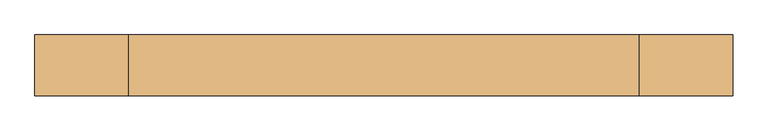
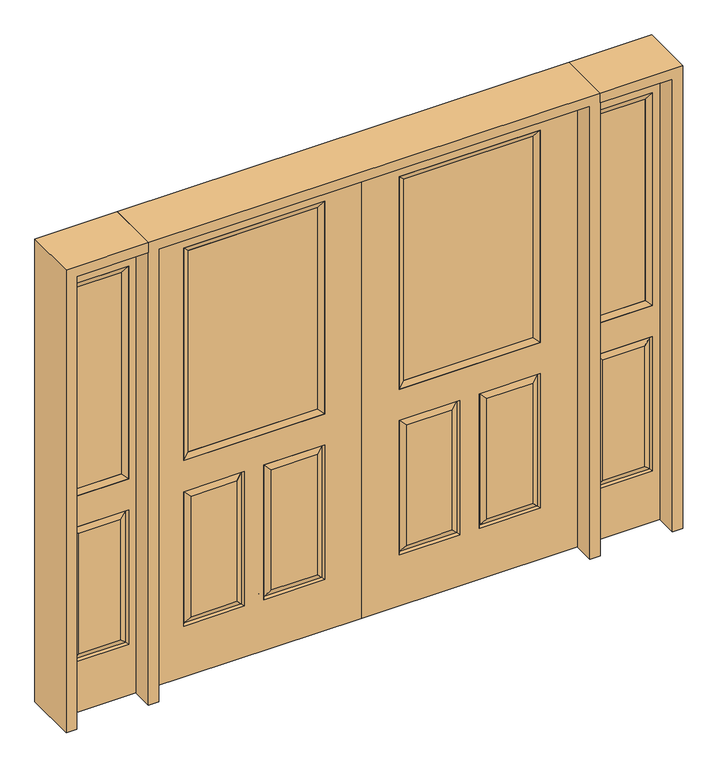
"""IFC4 building model written with IfcOpenShell, lengths in millimetres: door geometry."""

import ifcopenshell
import ifcopenshell.guid

model = None  # the IFC model being written
_history = None  # IfcOwnerHistory: only IFC2X3 demands one
_inside = {}  # id of a spatial element -> (the spatial element, [elements in it])
_under = {}  # id of a project, library or spatial element -> (it, [spatial elements below it])
_declared = {}  # id of a project -> (the project, [libraries it declares])
_typed = {}  # id of a type object -> (the type object, [elements of that type])
_made_of = {}  # id of a material, layer set ... -> (it, [elements and type objects made of it])


def new_model(schema):
    """Start an empty IFC model of exactly this schema.

    Asked for "IFC4X3", IfcOpenShell would pick the latest addendum, in which some entities
    have other attributes; the version numbers below select the first issue.
    IFC2X3 requires an IfcOwnerHistory on every rooted entity: one is made here for all.
    """
    global model, _history
    if schema == "IFC4X3":
        model = ifcopenshell.file(schema_version=(4, 3, 0, 0))
    else:
        model = ifcopenshell.file(schema=schema)
    _inside.clear()
    _under.clear()
    _declared.clear()
    _typed.clear()
    _made_of.clear()
    _history = None
    if model.schema == "IFC2X3":
        org = make("IfcOrganization", Name="unknown")
        user = make(
            "IfcPersonAndOrganization",
            ThePerson=make("IfcPerson", FamilyName="unknown"),
            TheOrganization=org,
        )
        app = make(
            "IfcApplication",
            ApplicationDeveloper=org,
            Version="unknown",
            ApplicationFullName="unknown",
            ApplicationIdentifier="unknown",
        )
        _history = make(
            "IfcOwnerHistory",
            OwningUser=user,
            OwningApplication=app,
            ChangeAction="ADDED",
            CreationDate=0,
        )
    return model


def make(cls, **values):
    """One entity of the class cls with the attributes given. An attribute that is None is left unset."""
    return model.create_entity(
        cls, **{name: value for name, value in values.items() if value is not None}
    )


def rooted(cls, **values):
    """An entity with a GlobalId (a new one), such as an element, a storey or a relation."""
    return make(cls, GlobalId=ifcopenshell.guid.new(), OwnerHistory=_history, **values)


def si_unit(unit_type, name, prefix=None):
    """IfcSIUnit, for example si_unit("LENGTHUNIT", "METRE", prefix="MILLI")."""
    return make("IfcSIUnit", UnitType=unit_type, Prefix=prefix, Name=name)


def assignment(units):
    """IfcUnitAssignment: the units of a project."""
    return None if units is None else make("IfcUnitAssignment", Units=units)


def point(xyz):
    """IfcCartesianPoint."""
    return None if xyz is None else make("IfcCartesianPoint", Coordinates=xyz)


def direction(xyz):
    """IfcDirection."""
    return None if xyz is None else make("IfcDirection", DirectionRatios=xyz)


def frame(location, z_axis=None, x_axis=None):
    """IfcAxis2Placement3D, a coordinate frame: its origin and axes. An axis left out is left unset."""
    return make(
        "IfcAxis2Placement3D",
        Location=point(location),
        Axis=direction(z_axis),
        RefDirection=direction(x_axis),
    )


def origin():
    """The frame at (0, 0, 0) with its axes left unset."""
    return frame((0.0, 0.0, 0.0))


def place(relative_to, where):
    """IfcLocalPlacement: puts the frame where relative to a parent placement (None: the world)."""
    return make(
        "IfcLocalPlacement", PlacementRelTo=relative_to, RelativePlacement=where
    )


def context(
    kind, dimensions, precision=None, world=None, true_north=None, identifier=None
):
    """IfcGeometricRepresentationContext, for example the 3D "Model" context."""
    return make(
        "IfcGeometricRepresentationContext",
        ContextIdentifier=identifier,
        ContextType=kind,
        CoordinateSpaceDimension=dimensions,
        Precision=precision,
        WorldCoordinateSystem=world,
        TrueNorth=true_north,
    )


def project(units=None, contexts=None):
    """IfcProject with its units and contexts."""
    return rooted(
        "IfcProject",
        Name="project",
        RepresentationContexts=contexts,
        UnitsInContext=assignment(units),
    )


def spatial(cls, under=None, at=None, **own):
    """A site, building, storey or space (cls), placed at a placement, below another one or the project."""
    s = rooted(cls, ObjectPlacement=at, **own)
    if under is not None:
        _under.setdefault(under.id(), (under, []))[1].append(s)
    return s


def polyline(points):
    """IfcPolyline through the points."""
    return make("IfcPolyline", Points=[point(p) for p in points])


def outline(outer, holes=None, kind="AREA"):
    """IfcArbitraryClosedProfileDef: a profile drawn as a closed curve; with holes, ...WithVoids."""
    if holes is None:
        return make("IfcArbitraryClosedProfileDef", ProfileType=kind, OuterCurve=outer)
    return make(
        "IfcArbitraryProfileDefWithVoids",
        ProfileType=kind,
        OuterCurve=outer,
        InnerCurves=holes,
    )


def extrude(swept, where, along, depth):
    """IfcExtrudedAreaSolid: the profile swept, set in the frame where, extruded along a direction by depth."""
    return make(
        "IfcExtrudedAreaSolid",
        SweptArea=swept,
        Position=where,
        ExtrudedDirection=direction(along),
        Depth=depth,
    )


def faces_of(points, faces, orient=None, outer=None):
    """IfcFace entities. A face is a list of loops; a loop is a list of indices into points, from 0.

    orient and outer hold one flag for each loop. By default every Orientation is true, the
    first loop of a face is its IfcFaceOuterBound and the others are IfcFaceBound.
    """
    made = []
    for i, loops in enumerate(faces):
        bounds = []
        for j, loop in enumerate(loops):
            is_outer = j == 0 if outer is None else outer[i][j]
            bounds.append(
                make(
                    "IfcFaceOuterBound" if is_outer else "IfcFaceBound",
                    Bound=make("IfcPolyLoop", Polygon=[points[k] for k in loop]),
                    Orientation=True if orient is None else orient[i][j],
                )
            )
        made.append(make("IfcFace", Bounds=bounds))
    return made


def faceted_brep(points, faces, orient=None, outer=None, voids=None):
    """IfcFacetedBrep: a solid bounded by flat faces; with voids (closed shells), ...WithVoids."""
    shared = [point(p) for p in points]
    hull = make("IfcClosedShell", CfsFaces=faces_of(shared, faces, orient, outer))
    if voids is None:
        return make("IfcFacetedBrep", Outer=hull)
    return make(
        "IfcFacetedBrepWithVoids",
        Outer=hull,
        Voids=[
            make(cls, CfsFaces=faces_of(shared, fs, o, b)) for cls, fs, o, b in voids
        ],
    )


def shape(context_of_items, identifier, shape_type, items):
    """IfcShapeRepresentation: the items that make up one representation, for example the "Body"."""
    return make(
        "IfcShapeRepresentation",
        ContextOfItems=context_of_items,
        RepresentationIdentifier=identifier,
        RepresentationType=shape_type,
        Items=items,
    )


def source(mapping_origin, context_of_items, identifier, shape_type, items):
    """IfcRepresentationMap: a shape defined once, which mapped items show again and again."""
    return make(
        "IfcRepresentationMap",
        MappingOrigin=mapping_origin,
        MappedRepresentation=shape(context_of_items, identifier, shape_type, items),
    )


def transform(
    local_origin,
    x_axis=None,
    y_axis=None,
    z_axis=None,
    scale=None,
    scale2=None,
    scale3=None,
    uniform=True,
):
    """IfcCartesianTransformationOperator3D, or its non-uniform kind. x_axis, y_axis, z_axis: its Axis1, 2, 3."""
    if uniform:
        return make(
            "IfcCartesianTransformationOperator3D",
            Axis1=direction(x_axis),
            Axis2=direction(y_axis),
            LocalOrigin=point(local_origin),
            Scale=scale,
            Axis3=direction(z_axis),
        )
    return make(
        "IfcCartesianTransformationOperator3DnonUniform",
        Axis1=direction(x_axis),
        Axis2=direction(y_axis),
        LocalOrigin=point(local_origin),
        Scale=scale,
        Axis3=direction(z_axis),
        Scale2=scale2,
        Scale3=scale3,
    )


def mapped(mapping_source, mapping_target):
    """IfcMappedItem: shows the shape of a source again, moved by a transform."""
    return make(
        "IfcMappedItem", MappingSource=mapping_source, MappingTarget=mapping_target
    )


def made_of(thing, what):
    """Note that an element or type object is made of a material, layer set ...; save() writes the relation."""
    if what is not None:
        _made_of.setdefault(what.id(), (what, []))[1].append(thing)
    return thing


def element(
    cls,
    number,
    at=None,
    inside=None,
    cuts=None,
    type_object=None,
    material=None,
    context=None,
    identifier="Body",
    shape_type=None,
    held_by="IfcProductDefinitionShape",
    body=None,
    shapes=None,
    **own,
):
    """One element of the class cls, such as IfcWall. Its Tag is "e" and its number.

    at: its placement. inside: the storey or other place that contains it. cuts: it is an
    opening in that element (IfcRelVoidsElement). A single representation is given by context,
    identifier, shape_type and body (its items); several are given by shapes. held_by: the class
    of the entity that holds the representations. save() writes the other relations.
    """
    e = rooted(cls, Tag="e%d" % number, ObjectPlacement=at, **own)
    if body is not None:
        shapes = [shape(context, identifier, shape_type, body)]
    if shapes is not None:
        e.Representation = make(held_by, Representations=shapes)
    if inside is not None:
        _inside.setdefault(inside.id(), (inside, []))[1].append(e)
    if cuts is not None:
        rooted(
            "IfcRelVoidsElement", RelatingBuildingElement=cuts, RelatedOpeningElement=e
        )
    if type_object is not None:
        _typed.setdefault(type_object.id(), (type_object, []))[1].append(e)
    return made_of(e, material)


def aggregate(whole, parts):
    """IfcRelAggregates: a whole, such as a stair, and the parts it consists of."""
    return rooted("IfcRelAggregates", RelatingObject=whole, RelatedObjects=parts)


def save(model, path):
    """Write the relations noted so far, then the file.

    IfcRelAggregates (storeys below a building ...), IfcRelContainedInSpatialStructure (elements
    in a storey), IfcRelDefinesByType, IfcRelAssociatesMaterial and IfcRelDeclares: one each for
    every whole, place, type object, material and project.
    """
    for whole, parts in _under.values():
        aggregate(whole, parts)
    for where, things in _inside.values():
        rooted(
            "IfcRelContainedInSpatialStructure",
            RelatedElements=things,
            RelatingStructure=where,
        )
    for kind, things in _typed.values():
        rooted("IfcRelDefinesByType", RelatedObjects=things, RelatingType=kind)
    for what, things in _made_of.values():
        rooted("IfcRelAssociatesMaterial", RelatedObjects=things, RelatingMaterial=what)
    for by, libraries in _declared.values():
        rooted("IfcRelDeclares", RelatingContext=by, RelatedDefinitions=libraries)
    model.write(path)


def door_6a7b1a4c(model_context):
    return source(origin(), model_context, "Body", "SolidModel", [
        faceted_brep([(914.4, -22.225, 0.0), (914.4, -22.225, 2032.0), (0.0, -22.225, 2032.0), (0.0, -22.225, 0.0), (756.539, -22.225, 971.55), (157.861, -22.225, 971.55), (157.861, -22.225, 1925.574), (756.539, -22.225, 1925.574), (756.539, -22.225, 831.85), (756.539, -22.225, 228.6), (498.475, -22.225, 228.6), (498.475, -22.225, 831.85), (415.925, -22.225, 831.85), (415.925, -22.225, 228.6), (157.861, -22.225, 228.6), (157.861, -22.225, 831.85), (530.225, -22.225, 800.1), (530.225, -22.225, 260.35), (724.789, -22.225, 260.35), (724.789, -22.225, 800.1), (189.611, -22.225, 800.1), (189.611, -22.225, 260.35), (384.175, -22.225, 260.35), (384.175, -22.225, 800.1), (0.0, 22.225, 0.0), (914.4, 22.225, 0.0), (0.0, 22.225, 2032.0), (914.4, 22.225, 2032.0), (756.539, 22.225, 1925.574), (756.539, 22.225, 971.55), (157.861, 22.225, 971.55), (157.861, 22.225, 1925.574), (498.475, 22.225, 831.85), (498.475, 22.225, 228.6), (756.539, 22.225, 228.6), (756.539, 22.225, 831.85), (157.861, 22.225, 831.85), (157.861, 22.225, 228.6), (415.925, 22.225, 228.6), (415.925, 22.225, 831.85), (724.789, 22.225, 800.1), (724.789, 22.225, 260.35), (530.225, 22.225, 260.35), (530.225, 22.225, 800.1), (384.175, 22.225, 800.1), (384.175, 22.225, 260.35), (189.611, 22.225, 260.35), (189.611, 22.225, 800.1), (749.39525, -12.7449236, 824.70625), (505.61875, -12.7449236, 824.70625), (749.39525, -12.7449236, 235.74375), (505.61875, -12.7449236, 235.74375), (165.00475, -12.7449236, 824.70625), (408.78125, -12.7449236, 824.70625), (408.78125, -12.7449236, 235.74375), (165.00475, -12.7449236, 235.74375), (749.39525, 12.7449236, 824.70625), (505.61875, 12.7449236, 824.70625), (505.61875, 12.7449236, 235.74375), (749.39525, 12.7449236, 235.74375), (165.00475, 12.7449236, 824.70625), (408.78125, 12.7449236, 824.70625), (165.00475, 12.7449236, 235.74375), (408.78125, 12.7449236, 235.74375)], [[[0, 1, 2, 3], [4, 5, 6, 7], [8, 9, 10, 11], [12, 13, 14, 15]], [[16, 17, 18, 19]], [[20, 21, 22, 23]], [[3, 24, 25, 0]], [[2, 26, 24, 3]], [[0, 25, 27, 1]], [[7, 28, 29, 4]], [[5, 30, 31, 6]], [[4, 29, 30, 5]], [[25, 24, 26, 27], [29, 28, 31, 30], [32, 33, 34, 35], [36, 37, 38, 39]], [[40, 41, 42, 43]], [[44, 45, 46, 47]], [[1, 27, 26, 2]], [[6, 31, 28, 7]], [[16, 19, 48, 49]], [[19, 18, 50, 48]], [[51, 50, 18, 17]], [[49, 51, 17, 16]], [[48, 8, 11, 49]], [[11, 10, 51, 49]], [[10, 9, 50, 51]], [[48, 50, 9, 8]], [[52, 20, 23, 53]], [[23, 22, 54, 53]], [[22, 21, 55, 54]], [[52, 55, 21, 20]], [[53, 12, 15, 52]], [[15, 14, 55, 52]], [[54, 55, 14, 13]], [[53, 54, 13, 12]], [[56, 40, 43, 57]], [[43, 42, 58, 57]], [[42, 41, 59, 58]], [[56, 59, 41, 40]], [[57, 32, 35, 56]], [[35, 34, 59, 56]], [[58, 59, 34, 33]], [[57, 58, 33, 32]], [[44, 47, 60, 61]], [[47, 46, 62, 60]], [[63, 62, 46, 45]], [[61, 63, 45, 44]], [[60, 36, 39, 61]], [[39, 38, 63, 61]], [[38, 37, 62, 63]], [[60, 62, 37, 36]]]),
        extrude(outline(polyline([(183.261, -12.7), (183.261, 12.7), (731.139, 12.7), (731.139, -12.7), (183.261, -12.7)])), frame((0.0, 0.0, 996.95), z_axis=(0.0, 0.0, 1.0), x_axis=(1.0, 0.0, 0.0)), (0.0, 0.0, 1.0), 903.224),
        faceted_brep([(756.539, -22.225, 1925.574), (756.539, -22.225, 971.55), (756.539, 22.225, 971.55), (756.539, 22.225, 1925.574), (157.861, -22.225, 971.55), (157.861, 22.225, 971.55), (183.261, 12.7, 996.95), (731.139, 12.7, 996.95), (157.861, -22.225, 1925.574), (157.861, 22.225, 1925.574), (731.139, -12.7, 996.95), (183.261, -12.7, 996.95), (731.139, -12.7, 1900.174), (183.261, -12.7, 1900.174), (731.139, 12.7, 1900.174), (183.261, 12.7, 1900.174)], [[[0, 1, 2, 3]], [[1, 4, 5, 2]], [[2, 5, 6, 7]], [[4, 8, 9, 5]], [[10, 11, 4, 1]], [[12, 10, 1, 0]], [[11, 13, 8, 4]], [[7, 6, 11, 10]], [[14, 7, 10, 12]], [[6, 15, 13, 11]], [[3, 2, 7, 14]], [[5, 9, 15, 6]], [[8, 0, 3, 9]], [[13, 12, 0, 8]], [[15, 14, 12, 13]], [[9, 3, 14, 15]]]),
        faceted_brep([(-914.4, -22.225, 0.0), (0.0, -22.225, 0.0), (0.0, -22.225, 2032.0), (-914.4, -22.225, 2032.0), (-756.539, -22.225, 971.55), (-756.539, -22.225, 1925.574), (-157.861, -22.225, 1925.574), (-157.861, -22.225, 971.55), (-756.539, -22.225, 831.85), (-498.475, -22.225, 831.85), (-498.475, -22.225, 228.6), (-756.539, -22.225, 228.6), (-415.925, -22.225, 831.85), (-157.861, -22.225, 831.85), (-157.861, -22.225, 228.6), (-415.925, -22.225, 228.6), (-530.225, -22.225, 800.1), (-724.789, -22.225, 800.1), (-724.789, -22.225, 260.35), (-530.225, -22.225, 260.35), (-189.611, -22.225, 800.1), (-384.175, -22.225, 800.1), (-384.175, -22.225, 260.35), (-189.611, -22.225, 260.35), (-914.4, 22.225, 0.0), (0.0, 22.225, 0.0), (0.0, 22.225, 2032.0), (-914.4, 22.225, 2032.0), (-756.539, 22.225, 971.55), (-756.539, 22.225, 1925.574), (-157.861, 22.225, 1925.574), (-157.861, 22.225, 971.55), (-498.475, 22.225, 831.85), (-756.539, 22.225, 831.85), (-756.539, 22.225, 228.6), (-498.475, 22.225, 228.6), (-157.861, 22.225, 831.85), (-415.925, 22.225, 831.85), (-415.925, 22.225, 228.6), (-157.861, 22.225, 228.6), (-724.789, 22.225, 800.1), (-530.225, 22.225, 800.1), (-530.225, 22.225, 260.35), (-724.789, 22.225, 260.35), (-384.175, 22.225, 800.1), (-189.611, 22.225, 800.1), (-189.611, 22.225, 260.35), (-384.175, 22.225, 260.35), (-505.61875, -12.7449236, 824.70625), (-749.39525, -12.7449236, 824.70625), (-749.39525, -12.7449236, 235.74375), (-505.61875, -12.7449236, 235.74375), (-165.00475, -12.7449236, 824.70625), (-408.78125, -12.7449236, 824.70625), (-408.78125, -12.7449236, 235.74375), (-165.00475, -12.7449236, 235.74375), (-749.39525, 12.7449236, 824.70625), (-505.61875, 12.7449236, 824.70625), (-505.61875, 12.7449236, 235.74375), (-749.39525, 12.7449236, 235.74375), (-408.78125, 12.7449236, 824.70625), (-165.00475, 12.7449236, 824.70625), (-165.00475, 12.7449236, 235.74375), (-408.78125, 12.7449236, 235.74375)], [[[0, 1, 2, 3], [4, 5, 6, 7], [8, 9, 10, 11], [12, 13, 14, 15]], [[16, 17, 18, 19]], [[20, 21, 22, 23]], [[1, 0, 24, 25]], [[2, 1, 25, 26]], [[0, 3, 27, 24]], [[5, 4, 28, 29]], [[7, 6, 30, 31]], [[4, 7, 31, 28]], [[24, 27, 26, 25], [28, 31, 30, 29], [32, 33, 34, 35], [36, 37, 38, 39]], [[40, 41, 42, 43]], [[44, 45, 46, 47]], [[3, 2, 26, 27]], [[6, 5, 29, 30]], [[16, 48, 49, 17]], [[17, 49, 50, 18]], [[51, 19, 18, 50]], [[48, 16, 19, 51]], [[49, 48, 9, 8]], [[9, 48, 51, 10]], [[10, 51, 50, 11]], [[49, 8, 11, 50]], [[52, 53, 21, 20]], [[21, 53, 54, 22]], [[22, 54, 55, 23]], [[52, 20, 23, 55]], [[53, 52, 13, 12]], [[13, 52, 55, 14]], [[54, 15, 14, 55]], [[53, 12, 15, 54]], [[56, 57, 41, 40]], [[41, 57, 58, 42]], [[42, 58, 59, 43]], [[56, 40, 43, 59]], [[57, 56, 33, 32]], [[33, 56, 59, 34]], [[58, 35, 34, 59]], [[57, 32, 35, 58]], [[44, 60, 61, 45]], [[45, 61, 62, 46]], [[63, 47, 46, 62]], [[60, 44, 47, 63]], [[61, 60, 37, 36]], [[37, 60, 63, 38]], [[38, 63, 62, 39]], [[61, 36, 39, 62]]]),
        extrude(outline(polyline([(-183.261, -12.7), (-731.139, -12.7), (-731.139, 12.7), (-183.261, 12.7), (-183.261, -12.7)])), frame((0.0, 0.0, 996.95), z_axis=(0.0, 0.0, 1.0), x_axis=(1.0, 0.0, 0.0)), (0.0, 0.0, 1.0), 903.224),
        faceted_brep([(-756.539, -22.225, 1925.574), (-756.539, 22.225, 1925.574), (-756.539, 22.225, 971.55), (-756.539, -22.225, 971.55), (-157.861, 22.225, 971.55), (-157.861, -22.225, 971.55), (-731.139, 12.7, 996.95), (-183.261, 12.7, 996.95), (-157.861, 22.225, 1925.574), (-157.861, -22.225, 1925.574), (-731.139, -12.7, 996.95), (-183.261, -12.7, 996.95), (-731.139, -12.7, 1900.174), (-183.261, -12.7, 1900.174), (-731.139, 12.7, 1900.174), (-183.261, 12.7, 1900.174)], [[[0, 1, 2, 3]], [[3, 2, 4, 5]], [[2, 6, 7, 4]], [[5, 4, 8, 9]], [[10, 3, 5, 11]], [[12, 0, 3, 10]], [[11, 5, 9, 13]], [[6, 10, 11, 7]], [[14, 12, 10, 6]], [[7, 11, 13, 15]], [[1, 14, 6, 2]], [[4, 7, 15, 8]], [[9, 8, 1, 0]], [[13, 9, 0, 12]], [[15, 13, 12, 14]], [[8, 15, 14, 1]]]),
        faceted_brep([(1263.65, -22.225, 0.0), (1263.65, -22.225, 2032.0), (958.85, -22.225, 2032.0), (958.85, -22.225, 0.0), (989.838, -22.225, 1925.574), (1232.662, -22.225, 1925.574), (1232.662, -22.225, 971.55), (989.838, -22.225, 971.55), (989.838, -22.225, 228.6), (989.838, -22.225, 831.85), (1232.662, -22.225, 831.85), (1232.662, -22.225, 228.6), (1200.7559872, -22.225, 260.5060128), (1200.7559872, -22.225, 799.9439872), (1021.7440128, -22.225, 799.9439872), (1021.7440128, -22.225, 260.5060128), (958.85, 22.225, 0.0), (1263.65, 22.225, 0.0), (958.85, 22.225, 2032.0), (1263.65, 22.225, 2032.0), (989.838, 22.225, 971.55), (989.838, 22.225, 1925.574), (1232.662, 22.225, 971.55), (1232.662, 22.225, 1925.574), (1232.662, 22.225, 228.6), (1232.662, 22.225, 831.85), (989.838, 22.225, 831.85), (989.838, 22.225, 228.6), (1021.7440128, 22.225, 260.5060128), (1021.7440128, 22.225, 799.9439872), (1200.7559872, 22.225, 799.9439872), (1200.7559872, 22.225, 260.5060128), (1225.7419933, -13.0418409, 235.5200067), (996.7580067, -13.0418409, 235.5200067), (1225.7419933, -13.0418409, 824.9299933), (996.7580067, -13.0418409, 824.9299933), (1225.7419933, 13.0418409, 235.5200067), (996.7580067, 13.0418409, 235.5200067), (996.7580067, 13.0418409, 824.9299933), (1225.7419933, 13.0418409, 824.9299933)], [[[0, 1, 2, 3], [4, 5, 6, 7], [8, 9, 10, 11]], [[12, 13, 14, 15]], [[3, 16, 17, 0]], [[2, 18, 16, 3]], [[0, 17, 19, 1]], [[7, 20, 21, 4]], [[6, 22, 20, 7]], [[5, 23, 22, 6]], [[17, 16, 18, 19], [21, 20, 22, 23], [24, 25, 26, 27]], [[28, 29, 30, 31]], [[1, 19, 18, 2]], [[4, 21, 23, 5]], [[8, 11, 32, 33]], [[11, 10, 34, 32]], [[35, 34, 10, 9]], [[33, 35, 9, 8]], [[32, 12, 15, 33]], [[15, 14, 35, 33]], [[14, 13, 34, 35]], [[32, 34, 13, 12]], [[36, 24, 27, 37]], [[27, 26, 38, 37]], [[26, 25, 39, 38]], [[36, 39, 25, 24]], [[37, 28, 31, 36]], [[31, 30, 39, 36]], [[38, 39, 30, 29]], [[37, 38, 29, 28]]]),
        extrude(outline(polyline([(1015.238, -12.7), (1015.238, 12.7), (1207.262, 12.7), (1207.262, -12.7), (1015.238, -12.7)])), frame((0.0, 0.0, 996.95), z_axis=(0.0, 0.0, 1.0), x_axis=(1.0, 0.0, 0.0)), (0.0, 0.0, 1.0), 903.224),
        faceted_brep([(1232.662, -22.225, 1925.574), (1232.662, -22.225, 971.55), (1232.662, 22.225, 971.55), (1232.662, 22.225, 1925.574), (989.838, -22.225, 971.55), (989.838, 22.225, 971.55), (1015.238, 12.7, 996.95), (1207.262, 12.7, 996.95), (989.838, -22.225, 1925.574), (989.838, 22.225, 1925.574), (1207.262, -12.7, 996.95), (1015.238, -12.7, 996.95), (1207.262, -12.7, 1900.174), (1015.238, -12.7, 1900.174), (1207.262, 12.7, 1900.174), (1015.238, 12.7, 1900.174)], [[[0, 1, 2, 3]], [[1, 4, 5, 2]], [[2, 5, 6, 7]], [[4, 8, 9, 5]], [[10, 11, 4, 1]], [[12, 10, 1, 0]], [[11, 13, 8, 4]], [[7, 6, 11, 10]], [[14, 7, 10, 12]], [[6, 15, 13, 11]], [[3, 2, 7, 14]], [[5, 9, 15, 6]], [[8, 0, 3, 9]], [[13, 12, 0, 8]], [[15, 14, 12, 13]], [[9, 3, 14, 15]]]),
        faceted_brep([(-1263.65, -22.225, 0.0), (-958.85, -22.225, 0.0), (-958.85, -22.225, 2032.0), (-1263.65, -22.225, 2032.0), (-989.838, -22.225, 1925.574), (-989.838, -22.225, 971.55), (-1232.662, -22.225, 971.55), (-1232.662, -22.225, 1925.574), (-989.838, -22.225, 228.6), (-1232.662, -22.225, 228.6), (-1232.662, -22.225, 831.85), (-989.838, -22.225, 831.85), (-1200.7559872, -22.225, 260.5060128), (-1021.7440128, -22.225, 260.5060128), (-1021.7440128, -22.225, 799.9439872), (-1200.7559872, -22.225, 799.9439872), (-1263.65, 22.225, 0.0), (-958.85, 22.225, 0.0), (-958.85, 22.225, 2032.0), (-1263.65, 22.225, 2032.0), (-989.838, 22.225, 1925.574), (-989.838, 22.225, 971.55), (-1232.662, 22.225, 971.55), (-1232.662, 22.225, 1925.574), (-1232.662, 22.225, 228.6), (-989.838, 22.225, 228.6), (-989.838, 22.225, 831.85), (-1232.662, 22.225, 831.85), (-1021.7440128, 22.225, 260.5060128), (-1200.7559872, 22.225, 260.5060128), (-1200.7559872, 22.225, 799.9439872), (-1021.7440128, 22.225, 799.9439872), (-996.7580067, -13.0418409, 235.5200067), (-1225.7419933, -13.0418409, 235.5200067), (-1225.7419933, -13.0418409, 824.9299933), (-996.7580067, -13.0418409, 824.9299933), (-1225.7419933, 13.0418409, 235.5200067), (-996.7580067, 13.0418409, 235.5200067), (-996.7580067, 13.0418409, 824.9299933), (-1225.7419933, 13.0418409, 824.9299933)], [[[0, 1, 2, 3], [4, 5, 6, 7], [8, 9, 10, 11]], [[12, 13, 14, 15]], [[1, 0, 16, 17]], [[2, 1, 17, 18]], [[0, 3, 19, 16]], [[5, 4, 20, 21]], [[6, 5, 21, 22]], [[7, 6, 22, 23]], [[16, 19, 18, 17], [20, 23, 22, 21], [24, 25, 26, 27]], [[28, 29, 30, 31]], [[3, 2, 18, 19]], [[4, 7, 23, 20]], [[8, 32, 33, 9]], [[9, 33, 34, 10]], [[35, 11, 10, 34]], [[32, 8, 11, 35]], [[33, 32, 13, 12]], [[13, 32, 35, 14]], [[14, 35, 34, 15]], [[33, 12, 15, 34]], [[36, 37, 25, 24]], [[25, 37, 38, 26]], [[26, 38, 39, 27]], [[36, 24, 27, 39]], [[37, 36, 29, 28]], [[29, 36, 39, 30]], [[38, 31, 30, 39]], [[37, 28, 31, 38]]]),
        extrude(outline(polyline([(-1015.238, -12.7), (-1207.262, -12.7), (-1207.262, 12.7), (-1015.238, 12.7), (-1015.238, -12.7)])), frame((0.0, 0.0, 996.95), z_axis=(0.0, 0.0, 1.0), x_axis=(1.0, 0.0, 0.0)), (0.0, 0.0, 1.0), 903.224),
        faceted_brep([(-1232.662, -22.225, 1925.574), (-1232.662, 22.225, 1925.574), (-1232.662, 22.225, 971.55), (-1232.662, -22.225, 971.55), (-989.838, 22.225, 971.55), (-989.838, -22.225, 971.55), (-1207.262, 12.7, 996.95), (-1015.238, 12.7, 996.95), (-989.838, 22.225, 1925.574), (-989.838, -22.225, 1925.574), (-1207.262, -12.7, 996.95), (-1015.238, -12.7, 996.95), (-1207.262, -12.7, 1900.174), (-1015.238, -12.7, 1900.174), (-1207.262, 12.7, 1900.174), (-1015.238, 12.7, 1900.174)], [[[0, 1, 2, 3]], [[3, 2, 4, 5]], [[2, 6, 7, 4]], [[5, 4, 8, 9]], [[10, 3, 5, 11]], [[12, 0, 3, 10]], [[11, 5, 9, 13]], [[6, 10, 11, 7]], [[14, 12, 10, 6]], [[7, 11, 13, 15]], [[1, 14, 6, 2]], [[4, 7, 15, 8]], [[9, 8, 1, 0]], [[13, 9, 0, 12]], [[15, 13, 12, 14]], [[8, 15, 14, 1]]]),
        extrude(outline(polyline([(2032.0, -958.85), (2076.45, -958.85), (2076.45, -1308.1), (0.0, -1308.1), (0.0, -1263.65), (2032.0, -1263.65), (2032.0, -958.85)])), frame((0.0, -114.3, 0.0), z_axis=(0.0, 1.0, 0.0), x_axis=(0.0, 0.0, 1.0)), (0.0, 0.0, 1.0), 228.6),
        extrude(outline(polyline([(2076.45, 958.85), (2032.0, 958.85), (2032.0, 1263.65), (0.0, 1263.65), (0.0, 1308.1), (2076.45, 1308.1), (2076.45, 958.85)])), frame((0.0, -114.3, 0.0), z_axis=(0.0, 1.0, 0.0), x_axis=(0.0, 0.0, 1.0)), (0.0, 0.0, 1.0), 228.6),
        extrude(outline(polyline([(0.0, -958.85), (0.0, -914.4), (2032.0, -914.4), (2032.0, 914.4), (0.0, 914.4), (0.0, 958.85), (2076.45, 958.85), (2076.45, -958.85), (0.0, -958.85)])), frame((0.0, -114.3, 0.0), z_axis=(0.0, 1.0, 0.0), x_axis=(0.0, 0.0, 1.0)), (0.0, 0.0, 1.0), 228.6),
    ])


if __name__ == "__main__":
    model = new_model("IFC4")
    model_context = context("Model", 3, world=origin())
    ifc_project = project(units=[si_unit("LENGTHUNIT", "METRE", prefix="MILLI")], contexts=[model_context])
    site = spatial("IfcSite", under=ifc_project)
    building = spatial("IfcBuilding", under=site)
    placement = place(None, origin())
    door_shape = door_6a7b1a4c(model_context)
    element("IfcDoor", 1, at=placement, inside=building, context=model_context, shape_type="MappedRepresentation", body=[
        mapped(door_shape, transform((0.0, 0.0, 0.0), x_axis=(1.0, 0.0, 0.0), y_axis=(0.0, 1.0, 0.0), z_axis=(0.0, 0.0, 1.0))),
    ])
    save(model, "model.ifc")
